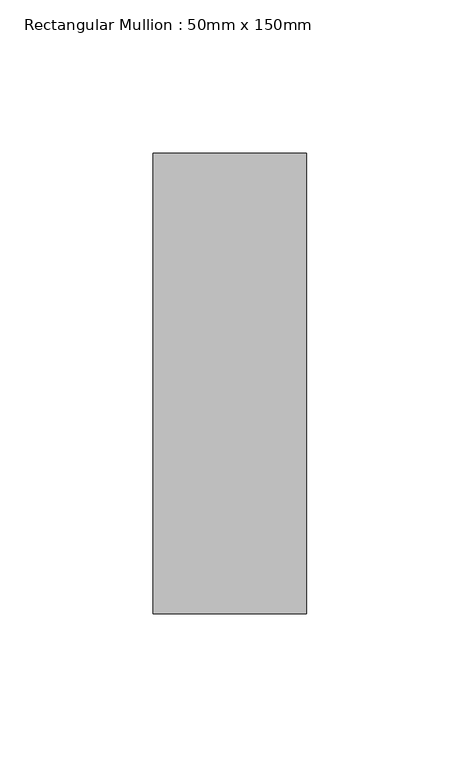
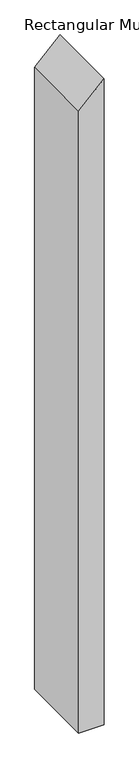
"""IFC4 building model written with IfcOpenShell, lengths in millimetres: member geometry, Rectangular Mullion : 50mm x 150mm."""

from ifc_helpers import new_model, si_unit, frame, origin, place, context, project, spatial, polyline, outline, extrude, source, transform, mapped, element, save


def rectangular_mullion_50mm_x_150mm_efe682c5(model_context):
    return source(origin(), model_context, "Body", "SweptSolid", [
        extrude(outline(polyline([(0.0, 0.0), (-50.0, -50.0), (-1343.5028843, -50.0), (-1343.5028843, 0.0), (0.0, 0.0)])), frame((0.0, -75.0, 0.0), z_axis=(0.0, 1.0, 0.0), x_axis=(0.0, 0.0, 1.0)), (0.0, 0.0, 1.0), 150.0),
    ])


if __name__ == "__main__":
    model = new_model("IFC4")
    model_context = context("Model", 3, world=origin())
    ifc_project = project(units=[si_unit("LENGTHUNIT", "METRE", prefix="MILLI")], contexts=[model_context])
    site = spatial("IfcSite", under=ifc_project)
    building = spatial("IfcBuilding", under=site)
    placement = place(None, origin())
    rectangular_mullion_50mm_x_150mm_shape = rectangular_mullion_50mm_x_150mm_efe682c5(model_context)
    element("IfcMember", 1, ObjectType="Rectangular Mullion : 50mm x 150mm", at=placement, inside=building, context=model_context, shape_type="MappedRepresentation", body=[
        mapped(rectangular_mullion_50mm_x_150mm_shape, transform((0.0, 0.0, 0.0), x_axis=(1.0, 0.0, 0.0), y_axis=(0.0, 1.0, 0.0), z_axis=(0.0, 0.0, 1.0))),
    ])
    save(model, "model.ifc")
